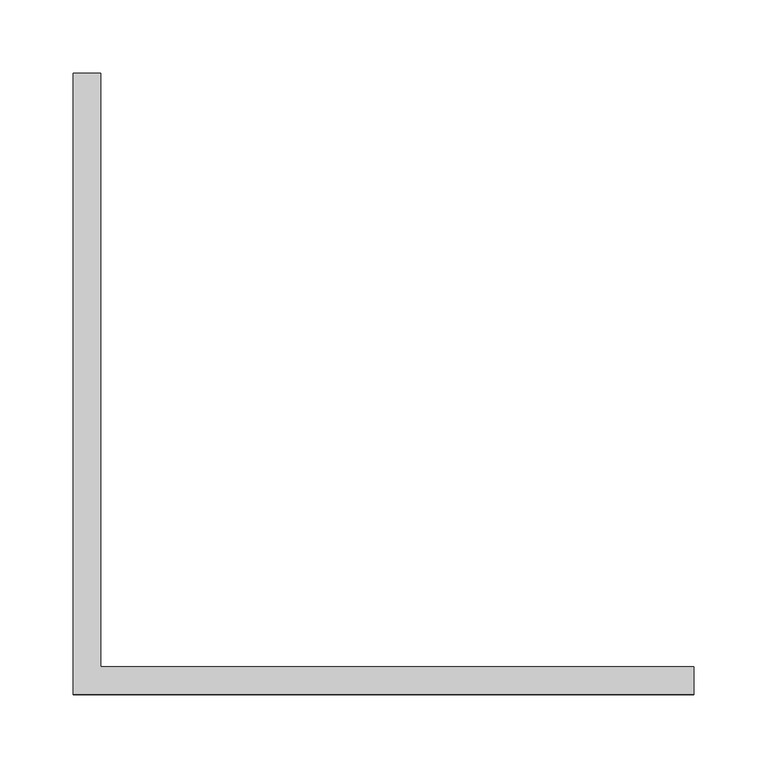
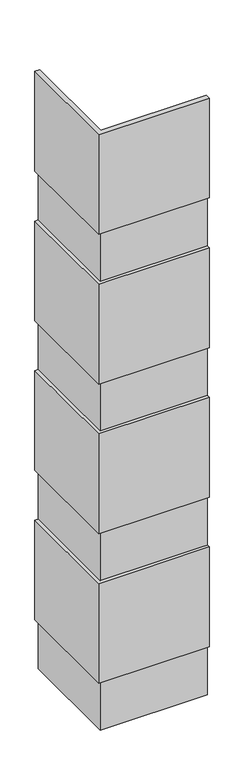
"""IFC4 building model written with IfcOpenShell, lengths in millimetres: proxy geometry."""

from ifc_helpers import new_model, si_unit, origin, place, context, project, spatial, faceted_brep, source, transform, mapped, element, save


def generic_models_86c4ab9a(model_context):
    return source(origin(), model_context, "Body", "Brep", [
        faceted_brep([(-1835.15, 317.5, 2032.0), (-1847.85, 317.5, 2032.0), (-1847.85, 317.5, 2438.4), (-1828.8, 317.5, 2438.4), (-1828.8, 317.5, 1828.8), (-1835.15, 317.5, 1828.8), (-1835.15, -95.25, 1828.8), (-1835.15, -95.25, 2032.0), (-1828.8, -88.9, 1828.8), (-1422.4, -88.9, 1828.8), (-1422.4, -95.25, 1828.8), (-1828.8, -88.9, 2438.4), (-1847.85, -107.95, 2438.4), (-1422.4, -107.95, 2438.4), (-1422.4, -88.9, 2438.4), (-1847.85, -107.95, 2032.0), (-1422.4, -95.25, 2032.0), (-1422.4, -107.95, 2032.0)], [[[0, 1, 2, 3, 4, 5]], [[5, 6, 7, 0]], [[4, 8, 9, 10, 6, 5]], [[3, 11, 8, 4]], [[2, 12, 13, 14, 11, 3]], [[1, 15, 12, 2]], [[0, 7, 16, 17, 15, 1]], [[16, 10, 9, 14, 13, 17]], [[6, 10, 16, 7]], [[11, 14, 9, 8]], [[15, 17, 13, 12]]]),
        faceted_brep([(-1835.15, 317.5, 1422.4), (-1847.85, 317.5, 1422.4), (-1847.85, 317.5, 1828.8), (-1828.8, 317.5, 1828.8), (-1828.8, 317.5, 1219.2), (-1835.15, 317.5, 1219.2), (-1835.15, -95.25, 1219.2), (-1835.15, -95.25, 1422.4), (-1828.8, -88.9, 1219.2), (-1422.4, -88.9, 1219.2), (-1422.4, -95.25, 1219.2), (-1828.8, -88.9, 1828.8), (-1847.85, -107.95, 1828.8), (-1422.4, -107.95, 1828.8), (-1422.4, -88.9, 1828.8), (-1847.85, -107.95, 1422.4), (-1422.4, -95.25, 1422.4), (-1422.4, -107.95, 1422.4)], [[[0, 1, 2, 3, 4, 5]], [[5, 6, 7, 0]], [[4, 8, 9, 10, 6, 5]], [[3, 11, 8, 4]], [[2, 12, 13, 14, 11, 3]], [[1, 15, 12, 2]], [[0, 7, 16, 17, 15, 1]], [[16, 10, 9, 14, 13, 17]], [[6, 10, 16, 7]], [[11, 14, 9, 8]], [[15, 17, 13, 12]]]),
        faceted_brep([(-1835.15, 317.5, 812.8), (-1847.85, 317.5, 812.8), (-1847.85, 317.5, 1219.2), (-1828.8, 317.5, 1219.2), (-1828.8, 317.5, 609.6), (-1835.15, 317.5, 609.6), (-1835.15, -95.25, 609.6), (-1835.15, -95.25, 812.8), (-1828.8, -88.9, 609.6), (-1422.4, -88.9, 609.6), (-1422.4, -95.25, 609.6), (-1828.8, -88.9, 1219.2), (-1847.85, -107.95, 1219.2), (-1422.4, -107.95, 1219.2), (-1422.4, -88.9, 1219.2), (-1847.85, -107.95, 812.8), (-1422.4, -95.25, 812.8), (-1422.4, -107.95, 812.8)], [[[0, 1, 2, 3, 4, 5]], [[5, 6, 7, 0]], [[4, 8, 9, 10, 6, 5]], [[3, 11, 8, 4]], [[2, 12, 13, 14, 11, 3]], [[1, 15, 12, 2]], [[0, 7, 16, 17, 15, 1]], [[16, 10, 9, 14, 13, 17]], [[6, 10, 16, 7]], [[11, 14, 9, 8]], [[15, 17, 13, 12]]]),
        faceted_brep([(-1835.15, 317.5, 203.2), (-1847.85, 317.5, 203.2), (-1847.85, 317.5, 609.6), (-1828.8, 317.5, 609.6), (-1828.8, 317.5, 0.0), (-1835.15, 317.5, 0.0), (-1835.15, -95.25, 0.0), (-1835.15, -95.25, 203.2), (-1828.8, -88.9, 0.0), (-1422.4, -88.9, 0.0), (-1422.4, -95.25, 0.0), (-1828.8, -88.9, 609.6), (-1847.85, -107.95, 609.6), (-1422.4, -107.95, 609.6), (-1422.4, -88.9, 609.6), (-1847.85, -107.95, 203.2), (-1422.4, -95.25, 203.2), (-1422.4, -107.95, 203.2)], [[[0, 1, 2, 3, 4, 5]], [[5, 6, 7, 0]], [[4, 8, 9, 10, 6, 5]], [[3, 11, 8, 4]], [[2, 12, 13, 14, 11, 3]], [[1, 15, 12, 2]], [[0, 7, 16, 17, 15, 1]], [[16, 10, 9, 14, 13, 17]], [[6, 10, 16, 7]], [[11, 14, 9, 8]], [[15, 17, 13, 12]]]),
    ])


if __name__ == "__main__":
    model = new_model("IFC4")
    model_context = context("Model", 3, world=origin())
    ifc_project = project(units=[si_unit("LENGTHUNIT", "METRE", prefix="MILLI")], contexts=[model_context])
    site = spatial("IfcSite", under=ifc_project)
    building = spatial("IfcBuilding", under=site)
    placement = place(None, origin())
    generic_models_shape = generic_models_86c4ab9a(model_context)
    element("IfcBuildingElementProxy", 1, Name="Generic Models", at=placement, inside=building, context=model_context, shape_type="MappedRepresentation", body=[
        mapped(generic_models_shape, transform((0.0, 0.0, 0.0), x_axis=(1.0, 0.0, 0.0), y_axis=(0.0, 1.0, 0.0), z_axis=(0.0, 0.0, 1.0))),
    ])
    save(model, "model.ifc")
